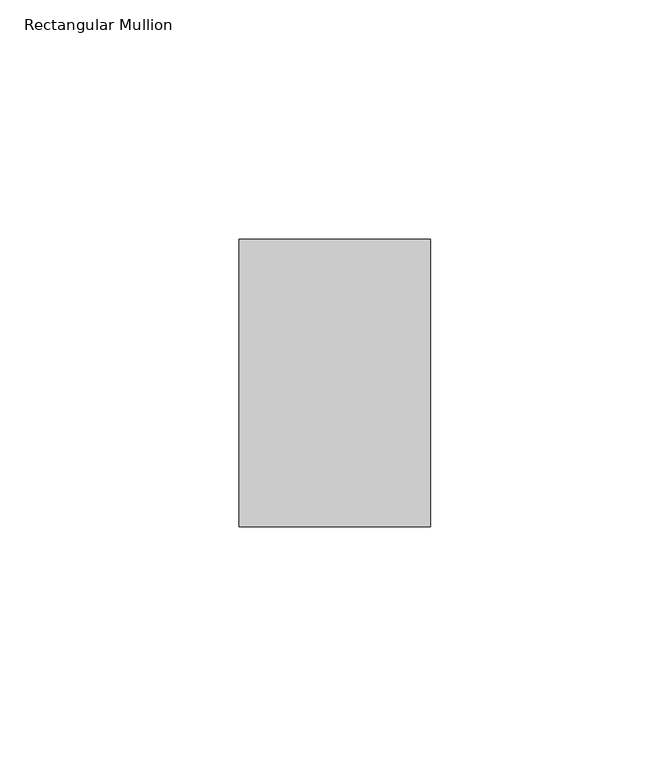
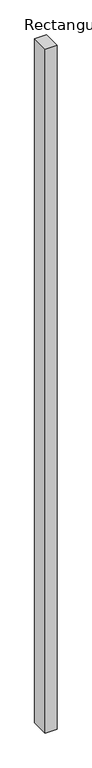
"""IFC4 building model written with IfcOpenShell, lengths in millimetres: member geometry, Rectangular Mullion."""

from ifc_helpers import new_model, si_unit, frame, origin, place, context, project, spatial, polyline, outline, extrude, source, transform, mapped, element, save


def rectangular_mullion_ceeda884(model_context):
    return source(origin(), model_context, "Body", "SweptSolid", [
        extrude(outline(polyline([(20.0, 65.0), (20.0, 5.0), (-20.0, 5.0), (-20.0, 65.0), (20.0, 65.0)])), frame((0.0, 0.0, -2400.0), z_axis=(0.0, 0.0, 1.0), x_axis=(1.0, 0.0, 0.0)), (0.0, 0.0, 1.0), 2400.0),
    ])


if __name__ == "__main__":
    model = new_model("IFC4")
    model_context = context("Model", 3, world=origin())
    ifc_project = project(units=[si_unit("LENGTHUNIT", "METRE", prefix="MILLI")], contexts=[model_context])
    site = spatial("IfcSite", under=ifc_project)
    building = spatial("IfcBuilding", under=site)
    placement = place(None, origin())
    rectangular_mullion_shape = rectangular_mullion_ceeda884(model_context)
    element("IfcMember", 1, ObjectType="Rectangular Mullion", at=placement, inside=building, context=model_context, shape_type="MappedRepresentation", body=[
        mapped(rectangular_mullion_shape, transform((0.0, 0.0, 0.0), x_axis=(1.0, 0.0, 0.0), y_axis=(0.0, 1.0, 0.0), z_axis=(0.0, 0.0, 1.0))),
    ])
    save(model, "model.ifc")
